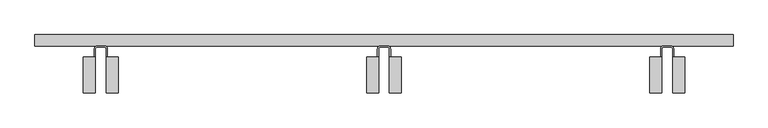
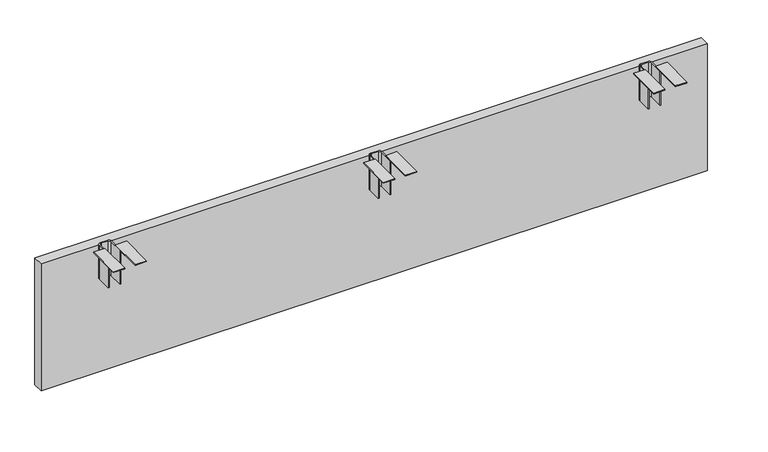
"""IFC4 building model written with IfcOpenShell, lengths in millimetres: furniture geometry."""

from ifc_helpers import new_model, si_unit, point, frame, frame_2d, origin, place, context, project, spatial, polyline, circle_curve, trimmed, segment, composite_curve, outline, extrude, source, transform, mapped, element, save


def furniture_4718daf7(model_context):
    return source(origin(), model_context, "Body", "SweptSolid", [
        extrude(outline(composite_curve([segment(polyline([(619.2520075, -36.9120729), (619.2520075, -64.1154724), (617.4993892, -64.1154724), (617.4993892, -36.9120524)]), True, "CONTINUOUS"), segment(trimmed(circle_curve(frame_2d((614.2228087, -36.9120524)), 3.2765805), [point((617.4993892, -36.9120524))], [point((614.2228087, -33.6354719))], True, "CARTESIAN"), True, "CONTINUOUS"), segment(polyline([(614.2228087, -33.6354719), (601.9292118, -33.6354719)]), True, "CONTINUOUS"), segment(trimmed(circle_curve(frame_2d((601.9292118, -36.9120729)), 3.276601), [point((601.9292118, -33.6354719))], [point((598.6526108, -36.9120729))], True, "CARTESIAN"), True, "CONTINUOUS"), segment(polyline([(598.6526108, -36.9120729), (598.6526108, -64.1154724), (596.9000288, -64.1154724), (596.9000288, -36.9138188)]), True, "CONTINUOUS"), segment(trimmed(circle_curve(frame_2d((601.9292277, -36.9138188)), 5.0291988), [point((596.9000288, -36.9138188))], [point((601.9292277, -31.88462))], False, "CARTESIAN"), True, "CONTINUOUS"), segment(polyline([(601.9292277, -31.88462), (614.2245546, -31.88462)]), True, "CONTINUOUS"), segment(trimmed(circle_curve(frame_2d((614.2245546, -36.9120729)), 5.0274529), [point((614.2245546, -31.88462))], [point((619.2520075, -36.9120729))], False, "CARTESIAN"), True, "CONTINUOUS")], self_intersect=False)), frame((0.0, 0.0, 627.634001), z_axis=(0.0, 0.0, 1.0), x_axis=(1.0, 0.0, 0.0)), (0.0, 0.0, 1.0), 64.6430019),
        extrude(outline(polyline([(598.6526108, -50.8780491), (598.6526108, -112.3460495), (578.2817975, -112.3460495), (578.2817975, -50.8780491), (598.6526108, -50.8780491)])), frame((0.0, 0.0, 692.2770029), z_axis=(0.0, 0.0, 1.0), x_axis=(1.0, 0.0, 0.0)), (0.0, 0.0, 1.0), 1.7525971),
        extrude(outline(polyline([(617.4993892, -50.8780491), (637.8702025, -50.8780491), (637.8702025, -112.3460495), (617.4993892, -112.3460495), (617.4993892, -50.8780491)])), frame((0.0, 0.0, 692.2770029), z_axis=(0.0, 0.0, 1.0), x_axis=(1.0, 0.0, 0.0)), (0.0, 0.0, 1.0), 1.7525971),
        extrude(outline(composite_curve([segment(polyline([(134.034088, -64.1154724), (132.2814878, -64.1154724), (132.2814878, -36.9120706)]), True, "CONTINUOUS"), segment(trimmed(circle_curve(frame_2d((129.0048891, -36.9120706)), 3.2765987), [point((132.2814878, -36.9120706))], [point((129.0048891, -33.6354719))], True, "CARTESIAN"), True, "CONTINUOUS"), segment(polyline([(129.0048891, -33.6354719), (116.7112831, -33.6354719)]), True, "CONTINUOUS"), segment(trimmed(circle_curve(frame_2d((116.7112831, -36.9120729)), 3.276601), [point((116.7112831, -33.6354719))], [point((113.4346822, -36.9120729))], True, "CARTESIAN"), True, "CONTINUOUS"), segment(polyline([(113.4346822, -36.9120729), (113.4346822, -64.1154724), (111.682082, -64.1154724), (111.682082, -36.9073034)]), True, "CONTINUOUS"), segment(trimmed(circle_curve(frame_2d((116.7047655, -36.9073034)), 5.0226834), [point((111.682082, -36.9073034))], [point((116.7047655, -31.88462))], False, "CARTESIAN"), True, "CONTINUOUS"), segment(polyline([(116.7047655, -31.88462), (129.0066351, -31.88462)]), True, "CONTINUOUS"), segment(trimmed(circle_curve(frame_2d((129.0066351, -36.9120729)), 5.0274529), [point((129.0066351, -31.88462))], [point((134.034088, -36.9120729))], False, "CARTESIAN"), True, "CONTINUOUS"), segment(polyline([(134.034088, -36.9120729), (134.034088, -64.1154724)]), True, "CONTINUOUS")], self_intersect=False)), frame((0.0, 0.0, 627.634001), z_axis=(0.0, 0.0, 1.0), x_axis=(1.0, 0.0, 0.0)), (0.0, 0.0, 1.0), 64.6430019),
        extrude(outline(composite_curve([segment(polyline([(1104.4720465, -64.1154724), (1102.7194282, -64.1154724), (1102.7194282, -36.9120524)]), True, "CONTINUOUS"), segment(trimmed(circle_curve(frame_2d((1099.4428476, -36.9120524)), 3.2765805), [point((1102.7194282, -36.9120524))], [point((1099.4428476, -33.6354719))], True, "CARTESIAN"), True, "CONTINUOUS"), segment(polyline([(1099.4428476, -33.6354719), (1087.1492507, -33.6354719)]), True, "CONTINUOUS"), segment(trimmed(circle_curve(frame_2d((1087.1492507, -36.9120729)), 3.276601), [point((1087.1492507, -33.6354719))], [point((1083.8726498, -36.9120729))], True, "CARTESIAN"), True, "CONTINUOUS"), segment(polyline([(1083.8726498, -36.9120729), (1083.8726498, -64.1154724), (1082.1200315, -64.1154724), (1082.1200315, -36.9072943)]), True, "CONTINUOUS"), segment(trimmed(circle_curve(frame_2d((1087.1427058, -36.9072943)), 5.0226743), [point((1082.1200315, -36.9072943))], [point((1087.1427058, -31.88462))], False, "CARTESIAN"), True, "CONTINUOUS"), segment(polyline([(1087.1427058, -31.88462), (1099.4445936, -31.88462)]), True, "CONTINUOUS"), segment(trimmed(circle_curve(frame_2d((1099.4445936, -36.9120729)), 5.0274529), [point((1099.4445936, -31.88462))], [point((1104.4720465, -36.9120729))], False, "CARTESIAN"), True, "CONTINUOUS"), segment(polyline([(1104.4720465, -36.9120729), (1104.4720465, -64.1154724)]), True, "CONTINUOUS")], self_intersect=False)), frame((0.0, 0.0, 627.634001), z_axis=(0.0, 0.0, 1.0), x_axis=(1.0, 0.0, 0.0)), (0.0, 0.0, 1.0), 64.6430019),
        extrude(outline(polyline([(113.4346822, -112.3460495), (93.0638871, -112.3460495), (93.0638871, -50.8780491), (113.4346822, -50.8780491), (113.4346822, -112.3460495)])), frame((0.0, 0.0, 692.2770029), z_axis=(0.0, 0.0, 1.0), x_axis=(1.0, 0.0, 0.0)), (0.0, 0.0, 1.0), 1.7525971),
        extrude(outline(polyline([(152.652292, -50.8780491), (152.652292, -112.3460495), (132.2814878, -112.3460495), (132.2814878, -50.8780491), (152.652292, -50.8780491)])), frame((0.0, 0.0, 692.2770029), z_axis=(0.0, 0.0, 1.0), x_axis=(1.0, 0.0, 0.0)), (0.0, 0.0, 1.0), 1.7525971),
        extrude(outline(polyline([(1083.8726498, -50.8780491), (1083.8726498, -112.3460495), (1063.5018365, -112.3460495), (1063.5018365, -50.8780491), (1083.8726498, -50.8780491)])), frame((0.0, 0.0, 692.2770029), z_axis=(0.0, 0.0, 1.0), x_axis=(1.0, 0.0, 0.0)), (0.0, 0.0, 1.0), 1.7525971),
        extrude(outline(polyline([(1102.7194282, -50.8780491), (1123.0902414, -50.8780491), (1123.0902414, -112.3460495), (1102.7194282, -112.3460495), (1102.7194282, -50.8780491)])), frame((0.0, 0.0, 692.2770029), z_axis=(0.0, 0.0, 1.0), x_axis=(1.0, 0.0, 0.0)), (0.0, 0.0, 1.0), 1.7525971),
        extrude(outline(polyline([(1206.246, -12.58062), (1206.246, -31.88462), (9.906, -31.88462), (9.906, -12.58062), (1206.246, -12.58062)])), frame((0.0, 0.0, 447.66738), z_axis=(0.0, 0.0, 1.0), x_axis=(1.0, 0.0, 0.0)), (0.0, 0.0, 1.0), 241.3),
    ])


if __name__ == "__main__":
    model = new_model("IFC4")
    model_context = context("Model", 3, world=origin())
    ifc_project = project(units=[si_unit("LENGTHUNIT", "METRE", prefix="MILLI")], contexts=[model_context])
    site = spatial("IfcSite", under=ifc_project)
    building = spatial("IfcBuilding", under=site)
    placement = place(None, origin())
    furniture_shape = furniture_4718daf7(model_context)
    element("IfcFurniture", 1, at=placement, inside=building, context=model_context, shape_type="MappedRepresentation", body=[
        mapped(furniture_shape, transform((0.0, 0.0, 0.0), x_axis=(1.0, 0.0, 0.0), y_axis=(0.0, 1.0, 0.0), z_axis=(0.0, 0.0, 1.0))),
    ])
    save(model, "model.ifc")
